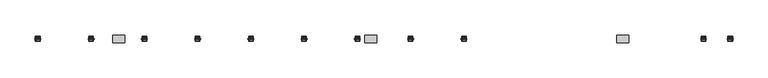
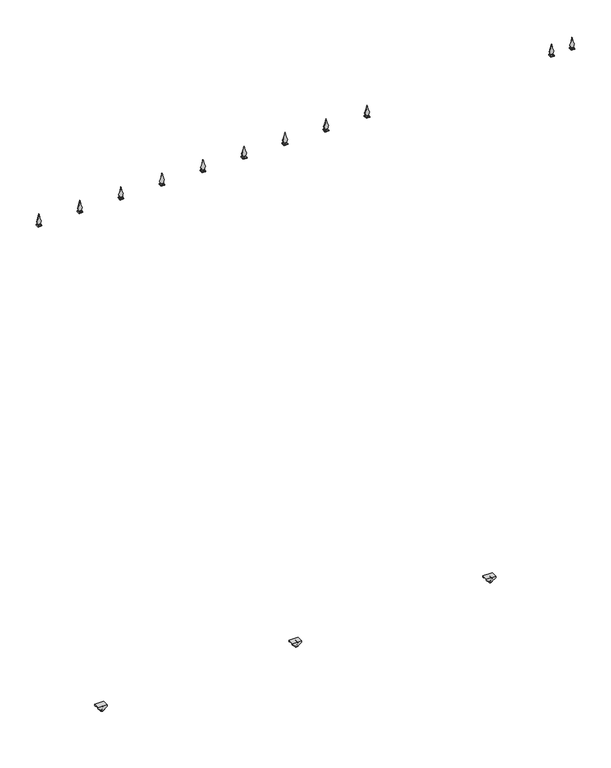
"""IFC4 building model written with IfcOpenShell, lengths in millimetres: geographic element geometry."""

from ifc_helpers import new_model, si_unit, point, frame, frame_2d, origin, place, context, project, spatial, polyline, circle_curve, trimmed, segment, composite_curve, outline, extrude, faceted_brep, source, transform, mapped, element, save
from ifc_brep_helpers import plane_surface, cylinder_surface, advanced_brep


def geographic_element_61d36e83(model_context):
    return source(origin(), model_context, "Body", "SolidModel", [
        advanced_brep(
        [(1674.2264823, -1.5, 33.0), (1674.2264823, -1.5, 3.0), (1674.2264823, -14.5, 3.0), (1674.2264823, -14.5, 33.0), (1674.2264823, -1.5, 30.0), (1674.2264823, -1.5, 6.0), (1674.2264823, 1.5, 30.0), (1674.2264823, 1.5, 6.0), (1674.2264823, 1.5, 33.0), (1674.2264823, 1.5, 3.0), (1674.2264823, 14.5, 33.0), (1674.2264823, 14.5, 3.0), (1674.2264823, 14.5, 21.0), (1671.2264823, 14.5, 18.0), (1674.2264823, 14.5, 15.0), (1677.2264823, 14.5, 18.0), (1674.2264823, -14.5, 15.0), (1671.2264823, -14.5, 18.0), (1674.2264823, -14.5, 21.0), (1677.2264823, -14.5, 18.0), (1671.2264823, -16.0, 18.0), (1677.2264823, -16.0, 18.0), (1671.2264823, 16.0, 18.0), (1677.2264823, 16.0, 18.0)],
        [
            (0, 1, circle_curve(frame((1674.2264823, -1.5, 18.0), z_axis=(0.0, -1.0, 0.0), x_axis=(0.0, 0.0, -1.0)), 15.0)),
            (1, 2),
            (2, 3, circle_curve(frame((1674.2264823, -14.5, 18.0), z_axis=(0.0, 1.0, 0.0), x_axis=(0.0, 0.0, -1.0)), 15.0)),
            (3, 0),
            (1, 0, circle_curve(frame((1674.2264823, -1.5, 18.0), z_axis=(0.0, -1.0, 0.0), x_axis=(0.0, 0.0, -1.0)), 15.0)),
            (3, 2, circle_curve(frame((1674.2264823, -14.5, 18.0), z_axis=(0.0, 1.0, 0.0), x_axis=(0.0, 0.0, -1.0)), 15.0)),
            (0, 4),
            (4, 5, circle_curve(frame((1674.2264823, -1.5, 18.0), z_axis=(0.0, -1.0, 0.0), x_axis=(0.0, 0.0, -1.0)), 12.0)),
            (5, 1),
            (5, 4, circle_curve(frame((1674.2264823, -1.5, 18.0), z_axis=(0.0, -1.0, 0.0), x_axis=(0.0, 0.0, -1.0)), 12.0)),
            (4, 6),
            (6, 7, circle_curve(frame((1674.2264823, 1.5, 18.0), z_axis=(0.0, -1.0, 0.0), x_axis=(0.0, 0.0, -1.0)), 12.0)),
            (7, 5),
            (7, 6, circle_curve(frame((1674.2264823, 1.5, 18.0), z_axis=(0.0, -1.0, 0.0), x_axis=(0.0, 0.0, -1.0)), 12.0)),
            (6, 8),
            (8, 9, circle_curve(frame((1674.2264823, 1.5, 18.0), z_axis=(0.0, -1.0, 0.0), x_axis=(0.0, 0.0, -1.0)), 15.0)),
            (9, 7),
            (9, 8, circle_curve(frame((1674.2264823, 1.5, 18.0), z_axis=(0.0, -1.0, 0.0), x_axis=(0.0, 0.0, -1.0)), 15.0)),
            (8, 10),
            (10, 11, circle_curve(frame((1674.2264823, 14.5, 18.0), z_axis=(0.0, -1.0, 0.0), x_axis=(0.0, 0.0, -1.0)), 15.0)),
            (11, 9),
            (11, 10, circle_curve(frame((1674.2264823, 14.5, 18.0), z_axis=(0.0, -1.0, 0.0), x_axis=(0.0, 0.0, -1.0)), 15.0)),
            (10, 12),
            (12, 13, circle_curve(frame((1674.2264823, 14.5, 18.0), z_axis=(0.0, -1.0, 0.0), x_axis=(1.0, 0.0, 0.0)), 3.0)),
            (13, 14, circle_curve(frame((1674.2264823, 14.5, 18.0), z_axis=(0.0, -1.0, 0.0), x_axis=(1.0, 0.0, 0.0)), 3.0)),
            (14, 11),
            (14, 15, circle_curve(frame((1674.2264823, 14.5, 18.0), z_axis=(0.0, -1.0, 0.0), x_axis=(1.0, 0.0, 0.0)), 3.0)),
            (15, 12, circle_curve(frame((1674.2264823, 14.5, 18.0), z_axis=(0.0, -1.0, 0.0), x_axis=(1.0, 0.0, 0.0)), 3.0)),
            (2, 16),
            (16, 17, circle_curve(frame((1674.2264823, -14.5, 18.0), z_axis=(0.0, 1.0, 0.0), x_axis=(1.0, 0.0, 0.0)), 3.0)),
            (17, 18, circle_curve(frame((1674.2264823, -14.5, 18.0), z_axis=(0.0, 1.0, 0.0), x_axis=(1.0, 0.0, 0.0)), 3.0)),
            (18, 3),
            (18, 19, circle_curve(frame((1674.2264823, -14.5, 18.0), z_axis=(0.0, 1.0, 0.0), x_axis=(1.0, 0.0, 0.0)), 3.0)),
            (19, 16, circle_curve(frame((1674.2264823, -14.5, 18.0), z_axis=(0.0, 1.0, 0.0), x_axis=(1.0, 0.0, 0.0)), 3.0)),
            (20, 21, circle_curve(frame((1674.2264823, -16.0, 18.0), z_axis=(0.0, -1.0, 0.0), x_axis=(1.0, 0.0, 0.0)), 3.0)),
            (21, 20, circle_curve(frame((1674.2264823, -16.0, 18.0), z_axis=(0.0, -1.0, 0.0), x_axis=(1.0, 0.0, 0.0)), 3.0)),
            (22, 23, circle_curve(frame((1674.2264823, 16.0, 18.0), z_axis=(0.0, 1.0, 0.0), x_axis=(1.0, 0.0, 0.0)), 3.0)),
            (23, 22, circle_curve(frame((1674.2264823, 16.0, 18.0), z_axis=(0.0, 1.0, 0.0), x_axis=(1.0, 0.0, 0.0)), 3.0)),
            (20, 17),
            (19, 21),
            (23, 15),
            (13, 22),
        ],
        [
            cylinder_surface(frame((1674.2264823, 152.0, 18.0), z_axis=(0.0, 1.0, 0.0), x_axis=(0.0, 0.0, -1.0)), 15.0),
            plane_surface(frame((1674.2264823, -1.5, 18.0), z_axis=(0.0, 1.0, 0.0), x_axis=(0.0, 0.0, -1.0))),
            cylinder_surface(frame((1674.2264823, 152.0, 18.0), z_axis=(0.0, 1.0, 0.0), x_axis=(0.0, 0.0, -1.0)), 12.0),
            plane_surface(frame((1674.2264823, 1.5, 18.0), z_axis=(0.0, -1.0, 0.0), x_axis=(0.0, 0.0, -1.0))),
            plane_surface(frame((1674.2264823, 14.5, 18.0), z_axis=(0.0, 1.0, 0.0), x_axis=(0.0, 0.0, -1.0))),
            plane_surface(frame((1674.2264823, -14.5, 18.0), z_axis=(0.0, -1.0, 0.0), x_axis=(0.0, 0.0, -1.0))),
            plane_surface(frame((1677.2264823, -16.0, 18.0), z_axis=(0.0, -1.0, 0.0), x_axis=(0.0, 0.0, 1.0))),
            plane_surface(frame((1677.2264823, 16.0, 18.0), z_axis=(0.0, 1.0, 0.0), x_axis=(0.0, 0.0, -1.0))),
            cylinder_surface(frame((1674.2264823, 16.0, 18.0), z_axis=(0.0, -1.0, 0.0), x_axis=(1.0, 0.0, 0.0)), 3.0),
        ],
        [
            (0, [[1, 2, 3, 4]]),
            (0, [[-2, 5, -4, 6]]),
            (1, [[-1, 7, 8, 9]]),
            (1, [[-5, -9, 10, -7]]),
            (2, [[-8, 11, 12, 13]]),
            (2, [[-10, -13, 14, -11]]),
            (3, [[-12, 15, 16, 17]]),
            (3, [[-14, -17, 18, -15]]),
            (0, [[-16, 19, 20, 21]]),
            (0, [[-18, -21, 22, -19]]),
            (4, [[-20, 23, 24, 25, 26]]),
            (4, [[-22, -26, 27, 28, -23]]),
            (5, [[-3, 29, 30, 31, 32]]),
            (5, [[-6, -32, 33, 34, -29]]),
            (6, [[35, 36]]),
            (7, [[37, 38]]),
            (8, [[-35, 39, -30, -34, 40]]),
            (8, [[-38, 41, -27, -25, 42]]),
            (8, [[-36, -40, -33, -31, -39]]),
            (8, [[-37, -42, -24, -28, -41]]),
        ],
    ),
        advanced_brep(
        [(1644.2264823, -20.0, 30.0), (1668.6794803, -20.0, 13.6980013), (1679.7734842, -20.0, 13.6980013), (1704.2264823, -20.0, 30.0), (1704.2264823, -20.0, 40.0), (1644.2264823, -20.0, 40.0), (1644.2264823, 20.0, 30.0), (1644.2264823, 20.0, 40.0), (1704.2264823, 20.0, 40.0), (1704.2264823, 20.0, 30.0), (1679.7734842, 20.0, 13.6980013), (1668.6794803, 20.0, 13.6980013), (1644.2264823, -16.0, 30.0), (1668.6794803, -16.0, 13.6980013), (1668.6794803, 16.0, 13.6980013), (1644.2264823, 16.0, 30.0), (1679.7734842, -16.0, 13.6980013), (1679.7734842, 16.0, 13.6980013), (1704.2264823, -16.0, 30.0), (1704.2264823, 16.0, 30.0), (1704.2264823, -16.0, 36.0), (1704.2264823, 16.0, 36.0), (1644.2264823, 16.0, 36.0), (1644.2264823, -16.0, 36.0)],
        [
            (0, 1),
            (1, 2, circle_curve(frame((1674.2264823, -20.0, 22.0185043), z_axis=(0.0, -1.0, 0.0), x_axis=(1.0, 0.0, 0.0)), 10.0)),
            (2, 3),
            (3, 4),
            (4, 5),
            (5, 0),
            (6, 7),
            (7, 8),
            (8, 9),
            (9, 10),
            (10, 11, circle_curve(frame((1674.2264823, 20.0, 22.0185043), z_axis=(0.0, 1.0, 0.0), x_axis=(1.0, 0.0, 0.0)), 10.0)),
            (11, 6),
            (0, 12),
            (12, 13),
            (13, 1),
            (11, 14),
            (14, 15),
            (15, 6),
            (13, 16, circle_curve(frame((1674.2264823, -16.0, 22.0185043), z_axis=(0.0, -1.0, 0.0), x_axis=(1.0, 0.0, 0.0)), 10.0)),
            (16, 2),
            (10, 17),
            (17, 14, circle_curve(frame((1674.2264823, 16.0, 22.0185043), z_axis=(0.0, 1.0, 0.0), x_axis=(1.0, 0.0, 0.0)), 10.0)),
            (16, 18),
            (18, 3),
            (9, 19),
            (19, 17),
            (18, 20),
            (20, 21),
            (21, 19),
            (8, 4),
            (7, 5),
            (15, 22),
            (22, 23),
            (23, 12),
            (23, 20),
            (22, 21),
        ],
        [
            plane_surface(frame((1644.2264823, -20.0, 30.0), z_axis=(0.0, -1.0000000000000002, 0.0), x_axis=(0.8320502943378917, 0.0, -0.5547001962251573))),
            plane_surface(frame((1644.2264823, 20.0, 30.0), z_axis=(0.0, 1.0000000000000002, 0.0), x_axis=(-0.8320502943378917, 0.0, 0.5547001962251573))),
            plane_surface(frame((1644.2264823, -20.0, 30.0), z_axis=(-0.5547001962251573, 0.0, -0.8320502943378917), x_axis=(0.0, 1.0, 0.0))),
            cylinder_surface(frame((1674.2264823, 20.0, 22.0185043), z_axis=(0.0, -1.0, 0.0), x_axis=(1.0, 0.0, 0.0)), 10.0),
            plane_surface(frame((1679.7734842, -20.0, 13.6980013), z_axis=(0.554700196225293, 0.0, -0.8320502943378012), x_axis=(0.0, 1.0, 0.0))),
            plane_surface(frame((1704.2264823, -20.0, 30.0), z_axis=(1.0, 0.0, 0.0), x_axis=(0.0, 1.0, 0.0))),
            plane_surface(frame((1704.2264823, -20.0, 40.0), z_axis=(0.0, 0.0, 1.0), x_axis=(0.0, 1.0, 0.0))),
            plane_surface(frame((1644.2264823, -20.0, 40.0), z_axis=(-1.0, 0.0, 0.0), x_axis=(0.0, 1.0, 0.0))),
            plane_surface(frame((1644.2264823, -16.0, 0.0), z_axis=(0.0, 1.0, 0.0), x_axis=(1.0, 0.0, 0.0))),
            plane_surface(frame((1644.2264823, -16.0, 36.0), z_axis=(0.0, 0.0, -1.0), x_axis=(1.0, 0.0, 0.0))),
            plane_surface(frame((1644.2264823, 16.0, 36.0), z_axis=(0.0, -1.0, 0.0), x_axis=(1.0, 0.0, 0.0))),
        ],
        [
            (0, [[1, 2, 3, 4, 5, 6]]),
            (1, [[7, 8, 9, 10, 11, 12]]),
            (2, [[-1, 13, 14, 15]]),
            (2, [[-12, 16, 17, 18]]),
            (3, [[-2, -15, 19, 20]]),
            (3, [[-11, 21, 22, -16]]),
            (4, [[-3, -20, 23, 24]]),
            (4, [[-10, 25, 26, -21]]),
            (5, [[-4, -24, 27, 28, 29, -25, -9, 30]]),
            (6, [[-5, -30, -8, 31]]),
            (7, [[-6, -31, -7, -18, 32, 33, 34, -13]]),
            (8, [[35, -27, -23, -19, -14, -34]]),
            (9, [[-35, -33, 36, -28]]),
            (10, [[-36, -32, -17, -22, -26, -29]]),
        ],
    ),
        advanced_brep(
        [(390.8931489, -1.5, 33.0), (390.8931489, -1.5, 3.0), (390.8931489, -14.5, 3.0), (390.8931489, -14.5, 33.0), (390.8931489, -1.5, 30.0), (390.8931489, -1.5, 6.0), (390.8931489, 1.5, 30.0), (390.8931489, 1.5, 6.0), (390.8931489, 1.5, 33.0), (390.8931489, 1.5, 3.0), (390.8931489, 14.5, 33.0), (390.8931489, 14.5, 3.0), (390.8931489, 14.5, 21.0), (387.8931489, 14.5, 18.0), (390.8931489, 14.5, 15.0), (393.8931489, 14.5, 18.0), (390.8931489, -14.5, 15.0), (387.8931489, -14.5, 18.0), (390.8931489, -14.5, 21.0), (393.8931489, -14.5, 18.0), (387.8931489, -16.0, 18.0), (393.8931489, -16.0, 18.0), (387.8931489, 16.0, 18.0), (393.8931489, 16.0, 18.0)],
        [
            (0, 1, circle_curve(frame((390.8931489, -1.5, 18.0), z_axis=(0.0, -1.0, 0.0), x_axis=(0.0, 0.0, -1.0)), 15.0)),
            (1, 2),
            (2, 3, circle_curve(frame((390.8931489, -14.5, 18.0), z_axis=(0.0, 1.0, 0.0), x_axis=(0.0, 0.0, -1.0)), 15.0)),
            (3, 0),
            (1, 0, circle_curve(frame((390.8931489, -1.5, 18.0), z_axis=(0.0, -1.0, 0.0), x_axis=(0.0, 0.0, -1.0)), 15.0)),
            (3, 2, circle_curve(frame((390.8931489, -14.5, 18.0), z_axis=(0.0, 1.0, 0.0), x_axis=(0.0, 0.0, -1.0)), 15.0)),
            (0, 4),
            (4, 5, circle_curve(frame((390.8931489, -1.5, 18.0), z_axis=(0.0, -1.0, 0.0), x_axis=(0.0, 0.0, -1.0)), 12.0)),
            (5, 1),
            (5, 4, circle_curve(frame((390.8931489, -1.5, 18.0), z_axis=(0.0, -1.0, 0.0), x_axis=(0.0, 0.0, -1.0)), 12.0)),
            (4, 6),
            (6, 7, circle_curve(frame((390.8931489, 1.5, 18.0), z_axis=(0.0, -1.0, 0.0), x_axis=(0.0, 0.0, -1.0)), 12.0)),
            (7, 5),
            (7, 6, circle_curve(frame((390.8931489, 1.5, 18.0), z_axis=(0.0, -1.0, 0.0), x_axis=(0.0, 0.0, -1.0)), 12.0)),
            (6, 8),
            (8, 9, circle_curve(frame((390.8931489, 1.5, 18.0), z_axis=(0.0, -1.0, 0.0), x_axis=(0.0, 0.0, -1.0)), 15.0)),
            (9, 7),
            (9, 8, circle_curve(frame((390.8931489, 1.5, 18.0), z_axis=(0.0, -1.0, 0.0), x_axis=(0.0, 0.0, -1.0)), 15.0)),
            (8, 10),
            (10, 11, circle_curve(frame((390.8931489, 14.5, 18.0), z_axis=(0.0, -1.0, 0.0), x_axis=(0.0, 0.0, -1.0)), 15.0)),
            (11, 9),
            (11, 10, circle_curve(frame((390.8931489, 14.5, 18.0), z_axis=(0.0, -1.0, 0.0), x_axis=(0.0, 0.0, -1.0)), 15.0)),
            (10, 12),
            (12, 13, circle_curve(frame((390.8931489, 14.5, 18.0), z_axis=(0.0, -1.0, 0.0), x_axis=(1.0, 0.0, 0.0)), 3.0)),
            (13, 14, circle_curve(frame((390.8931489, 14.5, 18.0), z_axis=(0.0, -1.0, 0.0), x_axis=(1.0, 0.0, 0.0)), 3.0)),
            (14, 11),
            (14, 15, circle_curve(frame((390.8931489, 14.5, 18.0), z_axis=(0.0, -1.0, 0.0), x_axis=(1.0, 0.0, 0.0)), 3.0)),
            (15, 12, circle_curve(frame((390.8931489, 14.5, 18.0), z_axis=(0.0, -1.0, 0.0), x_axis=(1.0, 0.0, 0.0)), 3.0)),
            (2, 16),
            (16, 17, circle_curve(frame((390.8931489, -14.5, 18.0), z_axis=(0.0, 1.0, 0.0), x_axis=(1.0, 0.0, 0.0)), 3.0)),
            (17, 18, circle_curve(frame((390.8931489, -14.5, 18.0), z_axis=(0.0, 1.0, 0.0), x_axis=(1.0, 0.0, 0.0)), 3.0)),
            (18, 3),
            (18, 19, circle_curve(frame((390.8931489, -14.5, 18.0), z_axis=(0.0, 1.0, 0.0), x_axis=(1.0, 0.0, 0.0)), 3.0)),
            (19, 16, circle_curve(frame((390.8931489, -14.5, 18.0), z_axis=(0.0, 1.0, 0.0), x_axis=(1.0, 0.0, 0.0)), 3.0)),
            (20, 21, circle_curve(frame((390.8931489, -16.0, 18.0), z_axis=(0.0, -1.0, 0.0), x_axis=(1.0, 0.0, 0.0)), 3.0)),
            (21, 20, circle_curve(frame((390.8931489, -16.0, 18.0), z_axis=(0.0, -1.0, 0.0), x_axis=(1.0, 0.0, 0.0)), 3.0)),
            (22, 23, circle_curve(frame((390.8931489, 16.0, 18.0), z_axis=(0.0, 1.0, 0.0), x_axis=(1.0, 0.0, 0.0)), 3.0)),
            (23, 22, circle_curve(frame((390.8931489, 16.0, 18.0), z_axis=(0.0, 1.0, 0.0), x_axis=(1.0, 0.0, 0.0)), 3.0)),
            (20, 17),
            (19, 21),
            (23, 15),
            (13, 22),
        ],
        [
            cylinder_surface(frame((390.8931489, 152.0, 18.0), z_axis=(0.0, 1.0, 0.0), x_axis=(0.0, 0.0, -1.0)), 15.0),
            plane_surface(frame((390.8931489, -1.5, 18.0), z_axis=(0.0, 1.0, 0.0), x_axis=(0.0, 0.0, -1.0))),
            cylinder_surface(frame((390.8931489, 152.0, 18.0), z_axis=(0.0, 1.0, 0.0), x_axis=(0.0, 0.0, -1.0)), 12.0),
            plane_surface(frame((390.8931489, 1.5, 18.0), z_axis=(0.0, -1.0, 0.0), x_axis=(0.0, 0.0, -1.0))),
            plane_surface(frame((390.8931489, 14.5, 18.0), z_axis=(0.0, 1.0, 0.0), x_axis=(0.0, 0.0, -1.0))),
            plane_surface(frame((390.8931489, -14.5, 18.0), z_axis=(0.0, -1.0, 0.0), x_axis=(0.0, 0.0, -1.0))),
            plane_surface(frame((393.8931489, -16.0, 18.0), z_axis=(0.0, -1.0, 0.0), x_axis=(0.0, 0.0, 1.0))),
            plane_surface(frame((393.8931489, 16.0, 18.0), z_axis=(0.0, 1.0, 0.0), x_axis=(0.0, 0.0, -1.0))),
            cylinder_surface(frame((390.8931489, 16.0, 18.0), z_axis=(0.0, -1.0, 0.0), x_axis=(1.0, 0.0, 0.0)), 3.0),
        ],
        [
            (0, [[1, 2, 3, 4]]),
            (0, [[-2, 5, -4, 6]]),
            (1, [[-1, 7, 8, 9]]),
            (1, [[-5, -9, 10, -7]]),
            (2, [[-8, 11, 12, 13]]),
            (2, [[-10, -13, 14, -11]]),
            (3, [[-12, 15, 16, 17]]),
            (3, [[-14, -17, 18, -15]]),
            (0, [[-16, 19, 20, 21]]),
            (0, [[-18, -21, 22, -19]]),
            (4, [[-20, 23, 24, 25, 26]]),
            (4, [[-22, -26, 27, 28, -23]]),
            (5, [[-3, 29, 30, 31, 32]]),
            (5, [[-6, -32, 33, 34, -29]]),
            (6, [[35, 36]]),
            (7, [[37, 38]]),
            (8, [[-35, 39, -30, -34, 40]]),
            (8, [[-38, 41, -27, -25, 42]]),
            (8, [[-36, -40, -33, -31, -39]]),
            (8, [[-37, -42, -24, -28, -41]]),
        ],
    ),
        advanced_brep(
        [(360.8931489, -20.0, 30.0), (385.346147, -20.0, 13.6980013), (396.4401509, -20.0, 13.6980013), (420.8931489, -20.0, 30.0), (420.8931489, -20.0, 40.0), (360.8931489, -20.0, 40.0), (360.8931489, 20.0, 30.0), (360.8931489, 20.0, 40.0), (420.8931489, 20.0, 40.0), (420.8931489, 20.0, 30.0), (396.4401509, 20.0, 13.6980013), (385.346147, 20.0, 13.6980013), (360.8931489, -16.0, 30.0), (385.346147, -16.0, 13.6980013), (385.346147, 16.0, 13.6980013), (360.8931489, 16.0, 30.0), (396.4401509, -16.0, 13.6980013), (396.4401509, 16.0, 13.6980013), (420.8931489, -16.0, 30.0), (420.8931489, 16.0, 30.0), (420.8931489, -16.0, 36.0), (420.8931489, 16.0, 36.0), (360.8931489, 16.0, 36.0), (360.8931489, -16.0, 36.0)],
        [
            (0, 1),
            (1, 2, circle_curve(frame((390.8931489, -20.0, 22.0185043), z_axis=(0.0, -1.0, 0.0), x_axis=(1.0, 0.0, 0.0)), 10.0)),
            (2, 3),
            (3, 4),
            (4, 5),
            (5, 0),
            (6, 7),
            (7, 8),
            (8, 9),
            (9, 10),
            (10, 11, circle_curve(frame((390.8931489, 20.0, 22.0185043), z_axis=(0.0, 1.0, 0.0), x_axis=(1.0, 0.0, 0.0)), 10.0)),
            (11, 6),
            (0, 12),
            (12, 13),
            (13, 1),
            (11, 14),
            (14, 15),
            (15, 6),
            (13, 16, circle_curve(frame((390.8931489, -16.0, 22.0185043), z_axis=(0.0, -1.0, 0.0), x_axis=(1.0, 0.0, 0.0)), 10.0)),
            (16, 2),
            (10, 17),
            (17, 14, circle_curve(frame((390.8931489, 16.0, 22.0185043), z_axis=(0.0, 1.0, 0.0), x_axis=(1.0, 0.0, 0.0)), 10.0)),
            (16, 18),
            (18, 3),
            (9, 19),
            (19, 17),
            (18, 20),
            (20, 21),
            (21, 19),
            (8, 4),
            (7, 5),
            (15, 22),
            (22, 23),
            (23, 12),
            (23, 20),
            (22, 21),
        ],
        [
            plane_surface(frame((360.8931489, -20.0, 30.0), z_axis=(0.0, -1.0000000000000002, 0.0), x_axis=(0.8320502943378917, 0.0, -0.5547001962251573))),
            plane_surface(frame((360.8931489, 20.0, 30.0), z_axis=(0.0, 1.0000000000000002, 0.0), x_axis=(-0.8320502943378917, 0.0, 0.5547001962251573))),
            plane_surface(frame((360.8931489, -20.0, 30.0), z_axis=(-0.5547001962251573, 0.0, -0.8320502943378917), x_axis=(0.0, 1.0, 0.0))),
            cylinder_surface(frame((390.8931489, 20.0, 22.0185043), z_axis=(0.0, -1.0, 0.0), x_axis=(1.0, 0.0, 0.0)), 10.0),
            plane_surface(frame((396.4401509, -20.0, 13.6980013), z_axis=(0.554700196225293, 0.0, -0.8320502943378012), x_axis=(0.0, 1.0, 0.0))),
            plane_surface(frame((420.8931489, -20.0, 30.0), z_axis=(1.0, 0.0, 0.0), x_axis=(0.0, 1.0, 0.0))),
            plane_surface(frame((420.8931489, -20.0, 40.0), z_axis=(0.0, 0.0, 1.0), x_axis=(0.0, 1.0, 0.0))),
            plane_surface(frame((360.8931489, -20.0, 40.0), z_axis=(-1.0, 0.0, 0.0), x_axis=(0.0, 1.0, 0.0))),
            plane_surface(frame((360.8931489, -16.0, 0.0), z_axis=(0.0, 1.0, 0.0), x_axis=(1.0, 0.0, 0.0))),
            plane_surface(frame((360.8931489, -16.0, 36.0), z_axis=(0.0, 0.0, -1.0), x_axis=(1.0, 0.0, 0.0))),
            plane_surface(frame((360.8931489, 16.0, 36.0), z_axis=(0.0, -1.0, 0.0), x_axis=(1.0, 0.0, 0.0))),
        ],
        [
            (0, [[1, 2, 3, 4, 5, 6]]),
            (1, [[7, 8, 9, 10, 11, 12]]),
            (2, [[-1, 13, 14, 15]]),
            (2, [[-12, 16, 17, 18]]),
            (3, [[-2, -15, 19, 20]]),
            (3, [[-11, 21, 22, -16]]),
            (4, [[-3, -20, 23, 24]]),
            (4, [[-10, 25, 26, -21]]),
            (5, [[-4, -24, 27, 28, 29, -25, -9, 30]]),
            (6, [[-5, -30, -8, 31]]),
            (7, [[-6, -31, -7, -18, 32, 33, 34, -13]]),
            (8, [[35, -27, -23, -19, -14, -34]]),
            (9, [[-35, -33, 36, -28]]),
            (10, [[-36, -32, -17, -22, -26, -29]]),
        ],
    ),
        advanced_brep(
        [(-892.4401844, -1.5, 33.0), (-892.4401844, -1.5, 3.0), (-892.4401844, -14.5, 3.0), (-892.4401844, -14.5, 33.0), (-892.4401844, -1.5, 30.0), (-892.4401844, -1.5, 6.0), (-892.4401844, 1.5, 30.0), (-892.4401844, 1.5, 6.0), (-892.4401844, 1.5, 33.0), (-892.4401844, 1.5, 3.0), (-892.4401844, 14.5, 33.0), (-892.4401844, 14.5, 3.0), (-892.4401844, 14.5, 21.0), (-895.4401844, 14.5, 18.0), (-892.4401844, 14.5, 15.0), (-889.4401844, 14.5, 18.0), (-892.4401844, -14.5, 15.0), (-895.4401844, -14.5, 18.0), (-892.4401844, -14.5, 21.0), (-889.4401844, -14.5, 18.0), (-895.4401844, -16.0, 18.0), (-889.4401844, -16.0, 18.0), (-895.4401844, 16.0, 18.0), (-889.4401844, 16.0, 18.0)],
        [
            (0, 1, circle_curve(frame((-892.4401844, -1.5, 18.0), z_axis=(0.0, -1.0, 0.0), x_axis=(0.0, 0.0, -1.0)), 15.0)),
            (1, 2),
            (2, 3, circle_curve(frame((-892.4401844, -14.5, 18.0), z_axis=(0.0, 1.0, 0.0), x_axis=(0.0, 0.0, -1.0)), 15.0)),
            (3, 0),
            (1, 0, circle_curve(frame((-892.4401844, -1.5, 18.0), z_axis=(0.0, -1.0, 0.0), x_axis=(0.0, 0.0, -1.0)), 15.0)),
            (3, 2, circle_curve(frame((-892.4401844, -14.5, 18.0), z_axis=(0.0, 1.0, 0.0), x_axis=(0.0, 0.0, -1.0)), 15.0)),
            (0, 4),
            (4, 5, circle_curve(frame((-892.4401844, -1.5, 18.0), z_axis=(0.0, -1.0, 0.0), x_axis=(0.0, 0.0, -1.0)), 12.0)),
            (5, 1),
            (5, 4, circle_curve(frame((-892.4401844, -1.5, 18.0), z_axis=(0.0, -1.0, 0.0), x_axis=(0.0, 0.0, -1.0)), 12.0)),
            (4, 6),
            (6, 7, circle_curve(frame((-892.4401844, 1.5, 18.0), z_axis=(0.0, -1.0, 0.0), x_axis=(0.0, 0.0, -1.0)), 12.0)),
            (7, 5),
            (7, 6, circle_curve(frame((-892.4401844, 1.5, 18.0), z_axis=(0.0, -1.0, 0.0), x_axis=(0.0, 0.0, -1.0)), 12.0)),
            (6, 8),
            (8, 9, circle_curve(frame((-892.4401844, 1.5, 18.0), z_axis=(0.0, -1.0, 0.0), x_axis=(0.0, 0.0, -1.0)), 15.0)),
            (9, 7),
            (9, 8, circle_curve(frame((-892.4401844, 1.5, 18.0), z_axis=(0.0, -1.0, 0.0), x_axis=(0.0, 0.0, -1.0)), 15.0)),
            (8, 10),
            (10, 11, circle_curve(frame((-892.4401844, 14.5, 18.0), z_axis=(0.0, -1.0, 0.0), x_axis=(0.0, 0.0, -1.0)), 15.0)),
            (11, 9),
            (11, 10, circle_curve(frame((-892.4401844, 14.5, 18.0), z_axis=(0.0, -1.0, 0.0), x_axis=(0.0, 0.0, -1.0)), 15.0)),
            (10, 12),
            (12, 13, circle_curve(frame((-892.4401844, 14.5, 18.0), z_axis=(0.0, -1.0, 0.0), x_axis=(1.0, 0.0, 0.0)), 3.0)),
            (13, 14, circle_curve(frame((-892.4401844, 14.5, 18.0), z_axis=(0.0, -1.0, 0.0), x_axis=(1.0, 0.0, 0.0)), 3.0)),
            (14, 11),
            (14, 15, circle_curve(frame((-892.4401844, 14.5, 18.0), z_axis=(0.0, -1.0, 0.0), x_axis=(1.0, 0.0, 0.0)), 3.0)),
            (15, 12, circle_curve(frame((-892.4401844, 14.5, 18.0), z_axis=(0.0, -1.0, 0.0), x_axis=(1.0, 0.0, 0.0)), 3.0)),
            (2, 16),
            (16, 17, circle_curve(frame((-892.4401844, -14.5, 18.0), z_axis=(0.0, 1.0, 0.0), x_axis=(1.0, 0.0, 0.0)), 3.0)),
            (17, 18, circle_curve(frame((-892.4401844, -14.5, 18.0), z_axis=(0.0, 1.0, 0.0), x_axis=(1.0, 0.0, 0.0)), 3.0)),
            (18, 3),
            (18, 19, circle_curve(frame((-892.4401844, -14.5, 18.0), z_axis=(0.0, 1.0, 0.0), x_axis=(1.0, 0.0, 0.0)), 3.0)),
            (19, 16, circle_curve(frame((-892.4401844, -14.5, 18.0), z_axis=(0.0, 1.0, 0.0), x_axis=(1.0, 0.0, 0.0)), 3.0)),
            (20, 21, circle_curve(frame((-892.4401844, -16.0, 18.0), z_axis=(0.0, -1.0, 0.0), x_axis=(1.0, 0.0, 0.0)), 3.0)),
            (21, 20, circle_curve(frame((-892.4401844, -16.0, 18.0), z_axis=(0.0, -1.0, 0.0), x_axis=(1.0, 0.0, 0.0)), 3.0)),
            (22, 23, circle_curve(frame((-892.4401844, 16.0, 18.0), z_axis=(0.0, 1.0, 0.0), x_axis=(1.0, 0.0, 0.0)), 3.0)),
            (23, 22, circle_curve(frame((-892.4401844, 16.0, 18.0), z_axis=(0.0, 1.0, 0.0), x_axis=(1.0, 0.0, 0.0)), 3.0)),
            (20, 17),
            (19, 21),
            (23, 15),
            (13, 22),
        ],
        [
            cylinder_surface(frame((-892.4401844, 152.0, 18.0), z_axis=(0.0, 1.0, 0.0), x_axis=(0.0, 0.0, -1.0)), 15.0),
            plane_surface(frame((-892.4401844, -1.5, 18.0), z_axis=(0.0, 1.0, 0.0), x_axis=(0.0, 0.0, -1.0))),
            cylinder_surface(frame((-892.4401844, 152.0, 18.0), z_axis=(0.0, 1.0, 0.0), x_axis=(0.0, 0.0, -1.0)), 12.0),
            plane_surface(frame((-892.4401844, 1.5, 18.0), z_axis=(0.0, -1.0, 0.0), x_axis=(0.0, 0.0, -1.0))),
            plane_surface(frame((-892.4401844, 14.5, 18.0), z_axis=(0.0, 1.0, 0.0), x_axis=(0.0, 0.0, -1.0))),
            plane_surface(frame((-892.4401844, -14.5, 18.0), z_axis=(0.0, -1.0, 0.0), x_axis=(0.0, 0.0, -1.0))),
            plane_surface(frame((-889.4401844, -16.0, 18.0), z_axis=(0.0, -1.0, 0.0), x_axis=(0.0, 0.0, 1.0))),
            plane_surface(frame((-889.4401844, 16.0, 18.0), z_axis=(0.0, 1.0, 0.0), x_axis=(0.0, 0.0, -1.0))),
            cylinder_surface(frame((-892.4401844, 16.0, 18.0), z_axis=(0.0, -1.0, 0.0), x_axis=(1.0, 0.0, 0.0)), 3.0),
        ],
        [
            (0, [[1, 2, 3, 4]]),
            (0, [[-2, 5, -4, 6]]),
            (1, [[-1, 7, 8, 9]]),
            (1, [[-5, -9, 10, -7]]),
            (2, [[-8, 11, 12, 13]]),
            (2, [[-10, -13, 14, -11]]),
            (3, [[-12, 15, 16, 17]]),
            (3, [[-14, -17, 18, -15]]),
            (0, [[-16, 19, 20, 21]]),
            (0, [[-18, -21, 22, -19]]),
            (4, [[-20, 23, 24, 25, 26]]),
            (4, [[-22, -26, 27, 28, -23]]),
            (5, [[-3, 29, 30, 31, 32]]),
            (5, [[-6, -32, 33, 34, -29]]),
            (6, [[35, 36]]),
            (7, [[37, 38]]),
            (8, [[-35, 39, -30, -34, 40]]),
            (8, [[-38, 41, -27, -25, 42]]),
            (8, [[-36, -40, -33, -31, -39]]),
            (8, [[-37, -42, -24, -28, -41]]),
        ],
    ),
        advanced_brep(
        [(-922.4401844, -20.0, 30.0), (-897.9871864, -20.0, 13.6980013), (-886.8931824, -20.0, 13.6980013), (-862.4401844, -20.0, 30.0), (-862.4401844, -20.0, 40.0), (-922.4401844, -20.0, 40.0), (-922.4401844, 20.0, 30.0), (-922.4401844, 20.0, 40.0), (-862.4401844, 20.0, 40.0), (-862.4401844, 20.0, 30.0), (-886.8931824, 20.0, 13.6980013), (-897.9871864, 20.0, 13.6980013), (-922.4401844, -16.0, 30.0), (-897.9871864, -16.0, 13.6980013), (-897.9871864, 16.0, 13.6980013), (-922.4401844, 16.0, 30.0), (-886.8931824, -16.0, 13.6980013), (-886.8931824, 16.0, 13.6980013), (-862.4401844, -16.0, 30.0), (-862.4401844, 16.0, 30.0), (-862.4401844, -16.0, 36.0), (-862.4401844, 16.0, 36.0), (-922.4401844, 16.0, 36.0), (-922.4401844, -16.0, 36.0)],
        [
            (0, 1),
            (1, 2, circle_curve(frame((-892.4401844, -20.0, 22.0185043), z_axis=(0.0, -1.0, 0.0), x_axis=(1.0, 0.0, 0.0)), 10.0)),
            (2, 3),
            (3, 4),
            (4, 5),
            (5, 0),
            (6, 7),
            (7, 8),
            (8, 9),
            (9, 10),
            (10, 11, circle_curve(frame((-892.4401844, 20.0, 22.0185043), z_axis=(0.0, 1.0, 0.0), x_axis=(1.0, 0.0, 0.0)), 10.0)),
            (11, 6),
            (0, 12),
            (12, 13),
            (13, 1),
            (11, 14),
            (14, 15),
            (15, 6),
            (13, 16, circle_curve(frame((-892.4401844, -16.0, 22.0185043), z_axis=(0.0, -1.0, 0.0), x_axis=(1.0, 0.0, 0.0)), 10.0)),
            (16, 2),
            (10, 17),
            (17, 14, circle_curve(frame((-892.4401844, 16.0, 22.0185043), z_axis=(0.0, 1.0, 0.0), x_axis=(1.0, 0.0, 0.0)), 10.0)),
            (16, 18),
            (18, 3),
            (9, 19),
            (19, 17),
            (18, 20),
            (20, 21),
            (21, 19),
            (8, 4),
            (7, 5),
            (15, 22),
            (22, 23),
            (23, 12),
            (23, 20),
            (22, 21),
        ],
        [
            plane_surface(frame((-922.4401844, -20.0, 30.0), z_axis=(0.0, -1.0000000000000002, 0.0), x_axis=(0.8320502943378917, 0.0, -0.5547001962251573))),
            plane_surface(frame((-922.4401844, 20.0, 30.0), z_axis=(0.0, 1.0000000000000002, 0.0), x_axis=(-0.8320502943378917, 0.0, 0.5547001962251573))),
            plane_surface(frame((-922.4401844, -20.0, 30.0), z_axis=(-0.5547001962251573, 0.0, -0.8320502943378917), x_axis=(0.0, 1.0, 0.0))),
            cylinder_surface(frame((-892.4401844, 20.0, 22.0185043), z_axis=(0.0, -1.0, 0.0), x_axis=(1.0, 0.0, 0.0)), 10.0),
            plane_surface(frame((-886.8931824, -20.0, 13.6980013), z_axis=(0.554700196225293, 0.0, -0.8320502943378012), x_axis=(0.0, 1.0, 0.0))),
            plane_surface(frame((-862.4401844, -20.0, 30.0), z_axis=(1.0, 0.0, 0.0), x_axis=(0.0, 1.0, 0.0))),
            plane_surface(frame((-862.4401844, -20.0, 40.0), z_axis=(0.0, 0.0, 1.0), x_axis=(0.0, 1.0, 0.0))),
            plane_surface(frame((-922.4401844, -20.0, 40.0), z_axis=(-1.0, 0.0, 0.0), x_axis=(0.0, 1.0, 0.0))),
            plane_surface(frame((-922.4401844, -16.0, 0.0), z_axis=(0.0, 1.0, 0.0), x_axis=(1.0, 0.0, 0.0))),
            plane_surface(frame((-922.4401844, -16.0, 36.0), z_axis=(0.0, 0.0, -1.0), x_axis=(1.0, 0.0, 0.0))),
            plane_surface(frame((-922.4401844, 16.0, 36.0), z_axis=(0.0, -1.0, 0.0), x_axis=(1.0, 0.0, 0.0))),
        ],
        [
            (0, [[1, 2, 3, 4, 5, 6]]),
            (1, [[7, 8, 9, 10, 11, 12]]),
            (2, [[-1, 13, 14, 15]]),
            (2, [[-12, 16, 17, 18]]),
            (3, [[-2, -15, 19, 20]]),
            (3, [[-11, 21, 22, -16]]),
            (4, [[-3, -20, 23, 24]]),
            (4, [[-10, 25, 26, -21]]),
            (5, [[-4, -24, 27, 28, 29, -25, -9, 30]]),
            (6, [[-5, -30, -8, 31]]),
            (7, [[-6, -31, -7, -18, 32, 33, 34, -13]]),
            (8, [[35, -27, -23, -19, -14, -34]]),
            (9, [[-35, -33, 36, -28]]),
            (10, [[-36, -32, -17, -22, -26, -29]]),
        ],
    ),
        extrude(outline(composite_curve([segment(trimmed(circle_curve(frame_2d((3524.9252719, 769.7551665)), 87.884948), [point((3560.0, 850.3375934))], [point((3540.0, 856.3375934))], True, "CARTESIAN"), True, "CONTINUOUS"), segment(polyline([(3540.0, 856.3375934), (3540.0, 874.3375934)]), True, "CONTINUOUS"), segment(trimmed(circle_curve(frame_2d((3524.9252719, 960.9200203)), 87.884948), [point((3540.0, 874.3375934))], [point((3560.0, 880.3375934))], True, "CARTESIAN"), True, "CONTINUOUS"), segment(trimmed(circle_curve(frame_2d((3634.2044665, 1036.8524819)), 173.2143562), [point((3560.0, 880.3375934))], [point((3610.0, 865.3375934))], True, "CARTESIAN"), True, "CONTINUOUS"), segment(trimmed(circle_curve(frame_2d((3634.2044665, 693.8227049)), 173.2143562), [point((3610.0, 865.3375934))], [point((3560.0, 850.3375934))], True, "CARTESIAN"), True, "CONTINUOUS")], self_intersect=False)), frame((0.0, -1.5, 0.0), z_axis=(0.0, 1.0, 0.0), x_axis=(0.0, 0.0, 1.0)), (0.0, 0.0, 1.0), 3.0),
        faceted_brep([(856.3375934, 9.0, 3540.0), (856.3375934, -9.0, 3540.0), (874.3375934, -9.0, 3540.0), (874.3375934, 9.0, 3540.0), (853.3375934, 12.0, 3535.0), (877.3375934, 12.0, 3535.0), (877.3375934, -12.0, 3535.0), (853.3375934, -12.0, 3535.0)], [[[0, 1, 2, 3]], [[4, 5, 6, 7]], [[4, 7, 1, 0]], [[7, 6, 2, 1]], [[6, 5, 3, 2]], [[5, 4, 0, 3]]]),
        extrude(outline(polyline([(877.3375934, 12.0), (877.3375934, -12.0), (853.3375934, -12.0), (853.3375934, 12.0), (877.3375934, 12.0)])), frame((0.0, 0.0, 3530.0), z_axis=(0.0, 0.0, 1.0), x_axis=(1.0, 0.0, 0.0)), (0.0, 0.0, 1.0), 5.0),
        extrude(outline(composite_curve([segment(trimmed(circle_curve(frame_2d((3524.9252719, 498.6440554)), 87.884948), [point((3560.0, 579.2264823))], [point((3540.0, 585.2264823))], True, "CARTESIAN"), True, "CONTINUOUS"), segment(polyline([(3540.0, 585.2264823), (3540.0, 603.2264823)]), True, "CONTINUOUS"), segment(trimmed(circle_curve(frame_2d((3524.9252719, 689.8089092)), 87.884948), [point((3540.0, 603.2264823))], [point((3560.0, 609.2264823))], True, "CARTESIAN"), True, "CONTINUOUS"), segment(trimmed(circle_curve(frame_2d((3634.2044665, 765.7413708)), 173.2143562), [point((3560.0, 609.2264823))], [point((3610.0, 594.2264823))], True, "CARTESIAN"), True, "CONTINUOUS"), segment(trimmed(circle_curve(frame_2d((3634.2044665, 422.7115938)), 173.2143562), [point((3610.0, 594.2264823))], [point((3560.0, 579.2264823))], True, "CARTESIAN"), True, "CONTINUOUS")], self_intersect=False)), frame((0.0, -1.5, 0.0), z_axis=(0.0, 1.0, 0.0), x_axis=(0.0, 0.0, 1.0)), (0.0, 0.0, 1.0), 3.0),
        faceted_brep([(585.2264823, 9.0, 3540.0), (585.2264823, -9.0, 3540.0), (603.2264823, -9.0, 3540.0), (603.2264823, 9.0, 3540.0), (582.2264823, 12.0, 3535.0), (606.2264823, 12.0, 3535.0), (606.2264823, -12.0, 3535.0), (582.2264823, -12.0, 3535.0)], [[[0, 1, 2, 3]], [[4, 5, 6, 7]], [[4, 7, 1, 0]], [[7, 6, 2, 1]], [[6, 5, 3, 2]], [[5, 4, 0, 3]]]),
        extrude(outline(polyline([(606.2264823, 12.0), (606.2264823, -12.0), (582.2264823, -12.0), (582.2264823, 12.0), (606.2264823, 12.0)])), frame((0.0, 0.0, 3530.0), z_axis=(0.0, 0.0, 1.0), x_axis=(1.0, 0.0, 0.0)), (0.0, 0.0, 1.0), 5.0),
        extrude(outline(composite_curve([segment(trimmed(circle_curve(frame_2d((3524.9252719, 227.5329442)), 87.884948), [point((3560.0, 308.1153712))], [point((3540.0, 314.1153712))], True, "CARTESIAN"), True, "CONTINUOUS"), segment(polyline([(3540.0, 314.1153712), (3540.0, 332.1153712)]), True, "CONTINUOUS"), segment(trimmed(circle_curve(frame_2d((3524.9252719, 418.6977981)), 87.884948), [point((3540.0, 332.1153712))], [point((3560.0, 338.1153712))], True, "CARTESIAN"), True, "CONTINUOUS"), segment(trimmed(circle_curve(frame_2d((3634.2044665, 494.6302597)), 173.2143562), [point((3560.0, 338.1153712))], [point((3610.0, 323.1153712))], True, "CARTESIAN"), True, "CONTINUOUS"), segment(trimmed(circle_curve(frame_2d((3634.2044665, 151.6004827)), 173.2143562), [point((3610.0, 323.1153712))], [point((3560.0, 308.1153712))], True, "CARTESIAN"), True, "CONTINUOUS")], self_intersect=False)), frame((0.0, -1.5, 0.0), z_axis=(0.0, 1.0, 0.0), x_axis=(0.0, 0.0, 1.0)), (0.0, 0.0, 1.0), 3.0),
        faceted_brep([(314.1153712, 9.0, 3540.0), (314.1153712, -9.0, 3540.0), (332.1153712, -9.0, 3540.0), (332.1153712, 9.0, 3540.0), (311.1153712, 12.0, 3535.0), (335.1153712, 12.0, 3535.0), (335.1153712, -12.0, 3535.0), (311.1153712, -12.0, 3535.0)], [[[0, 1, 2, 3]], [[4, 5, 6, 7]], [[4, 7, 1, 0]], [[7, 6, 2, 1]], [[6, 5, 3, 2]], [[5, 4, 0, 3]]]),
        extrude(outline(polyline([(335.1153712, 12.0), (335.1153712, -12.0), (311.1153712, -12.0), (311.1153712, 12.0), (335.1153712, 12.0)])), frame((0.0, 0.0, 3530.0), z_axis=(0.0, 0.0, 1.0), x_axis=(1.0, 0.0, 0.0)), (0.0, 0.0, 1.0), 5.0),
        extrude(outline(composite_curve([segment(trimmed(circle_curve(frame_2d((3524.9252719, -43.5781669)), 87.884948), [point((3560.0, 37.00426))], [point((3540.0, 43.00426))], True, "CARTESIAN"), True, "CONTINUOUS"), segment(polyline([(3540.0, 43.00426), (3540.0, 61.00426)]), True, "CONTINUOUS"), segment(trimmed(circle_curve(frame_2d((3524.9252719, 147.586687)), 87.884948), [point((3540.0, 61.00426))], [point((3560.0, 67.00426))], True, "CARTESIAN"), True, "CONTINUOUS"), segment(trimmed(circle_curve(frame_2d((3634.2044665, 223.5191485)), 173.2143562), [point((3560.0, 67.00426))], [point((3610.0, 52.00426))], True, "CARTESIAN"), True, "CONTINUOUS"), segment(trimmed(circle_curve(frame_2d((3634.2044665, -119.5106285)), 173.2143562), [point((3610.0, 52.00426))], [point((3560.0, 37.00426))], True, "CARTESIAN"), True, "CONTINUOUS")], self_intersect=False)), frame((0.0, -1.5, 0.0), z_axis=(0.0, 1.0, 0.0), x_axis=(0.0, 0.0, 1.0)), (0.0, 0.0, 1.0), 3.0),
        faceted_brep([(43.00426, 9.0, 3540.0), (43.00426, -9.0, 3540.0), (61.00426, -9.0, 3540.0), (61.00426, 9.0, 3540.0), (40.00426, 12.0, 3535.0), (64.00426, 12.0, 3535.0), (64.00426, -12.0, 3535.0), (40.00426, -12.0, 3535.0)], [[[0, 1, 2, 3]], [[4, 5, 6, 7]], [[4, 7, 1, 0]], [[7, 6, 2, 1]], [[6, 5, 3, 2]], [[5, 4, 0, 3]]]),
        extrude(outline(polyline([(64.00426, 12.0), (64.00426, -12.0), (40.00426, -12.0), (40.00426, 12.0), (64.00426, 12.0)])), frame((0.0, 0.0, 3530.0), z_axis=(0.0, 0.0, 1.0), x_axis=(1.0, 0.0, 0.0)), (0.0, 0.0, 1.0), 5.0),
        extrude(outline(composite_curve([segment(trimmed(circle_curve(frame_2d((3524.9252719, -314.689278)), 87.884948), [point((3560.0, -234.1068511))], [point((3540.0, -228.1068511))], True, "CARTESIAN"), True, "CONTINUOUS"), segment(polyline([(3540.0, -228.1068511), (3540.0, -210.1068511)]), True, "CONTINUOUS"), segment(trimmed(circle_curve(frame_2d((3524.9252719, -123.5244241)), 87.884948), [point((3540.0, -210.1068511))], [point((3560.0, -204.1068511))], True, "CARTESIAN"), True, "CONTINUOUS"), segment(trimmed(circle_curve(frame_2d((3634.2044665, -47.5919626)), 173.2143562), [point((3560.0, -204.1068511))], [point((3610.0, -219.1068511))], True, "CARTESIAN"), True, "CONTINUOUS"), segment(trimmed(circle_curve(frame_2d((3634.2044665, -390.6217396)), 173.2143562), [point((3610.0, -219.1068511))], [point((3560.0, -234.1068511))], True, "CARTESIAN"), True, "CONTINUOUS")], self_intersect=False)), frame((0.0, -1.5, 0.0), z_axis=(0.0, 1.0, 0.0), x_axis=(0.0, 0.0, 1.0)), (0.0, 0.0, 1.0), 3.0),
        faceted_brep([(-228.1068511, 9.0, 3540.0), (-228.1068511, -9.0, 3540.0), (-210.1068511, -9.0, 3540.0), (-210.1068511, 9.0, 3540.0), (-231.1068511, 12.0, 3535.0), (-207.1068511, 12.0, 3535.0), (-207.1068511, -12.0, 3535.0), (-231.1068511, -12.0, 3535.0)], [[[0, 1, 2, 3]], [[4, 5, 6, 7]], [[4, 7, 1, 0]], [[7, 6, 2, 1]], [[6, 5, 3, 2]], [[5, 4, 0, 3]]]),
        extrude(outline(polyline([(-207.1068511, 12.0), (-207.1068511, -12.0), (-231.1068511, -12.0), (-231.1068511, 12.0), (-207.1068511, 12.0)])), frame((0.0, 0.0, 3530.0), z_axis=(0.0, 0.0, 1.0), x_axis=(1.0, 0.0, 0.0)), (0.0, 0.0, 1.0), 5.0),
        extrude(outline(composite_curve([segment(trimmed(circle_curve(frame_2d((3524.9252719, -585.8003891)), 87.884948), [point((3560.0, -505.2179622))], [point((3540.0, -499.2179622))], True, "CARTESIAN"), True, "CONTINUOUS"), segment(polyline([(3540.0, -499.2179622), (3540.0, -481.2179622)]), True, "CONTINUOUS"), segment(trimmed(circle_curve(frame_2d((3524.9252719, -394.6355352)), 87.884948), [point((3540.0, -481.2179622))], [point((3560.0, -475.2179622))], True, "CARTESIAN"), True, "CONTINUOUS"), segment(trimmed(circle_curve(frame_2d((3634.2044665, -318.7030737)), 173.2143562), [point((3560.0, -475.2179622))], [point((3610.0, -490.2179622))], True, "CARTESIAN"), True, "CONTINUOUS"), segment(trimmed(circle_curve(frame_2d((3634.2044665, -661.7328507)), 173.2143562), [point((3610.0, -490.2179622))], [point((3560.0, -505.2179622))], True, "CARTESIAN"), True, "CONTINUOUS")], self_intersect=False)), frame((0.0, -1.5, 0.0), z_axis=(0.0, 1.0, 0.0), x_axis=(0.0, 0.0, 1.0)), (0.0, 0.0, 1.0), 3.0),
        faceted_brep([(-499.2179622, 9.0, 3540.0), (-499.2179622, -9.0, 3540.0), (-481.2179622, -9.0, 3540.0), (-481.2179622, 9.0, 3540.0), (-502.2179622, 12.0, 3535.0), (-478.2179622, 12.0, 3535.0), (-478.2179622, -12.0, 3535.0), (-502.2179622, -12.0, 3535.0)], [[[0, 1, 2, 3]], [[4, 5, 6, 7]], [[4, 7, 1, 0]], [[7, 6, 2, 1]], [[6, 5, 3, 2]], [[5, 4, 0, 3]]]),
        extrude(outline(polyline([(-478.2179622, 12.0), (-478.2179622, -12.0), (-502.2179622, -12.0), (-502.2179622, 12.0), (-478.2179622, 12.0)])), frame((0.0, 0.0, 3530.0), z_axis=(0.0, 0.0, 1.0), x_axis=(1.0, 0.0, 0.0)), (0.0, 0.0, 1.0), 5.0),
        extrude(outline(composite_curve([segment(trimmed(circle_curve(frame_2d((3524.9252719, -856.9115002)), 87.884948), [point((3560.0, -776.3290733))], [point((3540.0, -770.3290733))], True, "CARTESIAN"), True, "CONTINUOUS"), segment(polyline([(3540.0, -770.3290733), (3540.0, -752.3290733)]), True, "CONTINUOUS"), segment(trimmed(circle_curve(frame_2d((3524.9252719, -665.7466464)), 87.884948), [point((3540.0, -752.3290733))], [point((3560.0, -746.3290733))], True, "CARTESIAN"), True, "CONTINUOUS"), segment(trimmed(circle_curve(frame_2d((3634.2044665, -589.8141848)), 173.2143562), [point((3560.0, -746.3290733))], [point((3610.0, -761.3290733))], True, "CARTESIAN"), True, "CONTINUOUS"), segment(trimmed(circle_curve(frame_2d((3634.2044665, -932.8439618)), 173.2143562), [point((3610.0, -761.3290733))], [point((3560.0, -776.3290733))], True, "CARTESIAN"), True, "CONTINUOUS")], self_intersect=False)), frame((0.0, -1.5, 0.0), z_axis=(0.0, 1.0, 0.0), x_axis=(0.0, 0.0, 1.0)), (0.0, 0.0, 1.0), 3.0),
        faceted_brep([(-770.3290733, 9.0, 3540.0), (-770.3290733, -9.0, 3540.0), (-752.3290733, -9.0, 3540.0), (-752.3290733, 9.0, 3540.0), (-773.3290733, 12.0, 3535.0), (-749.3290733, 12.0, 3535.0), (-749.3290733, -12.0, 3535.0), (-773.3290733, -12.0, 3535.0)], [[[0, 1, 2, 3]], [[4, 5, 6, 7]], [[4, 7, 1, 0]], [[7, 6, 2, 1]], [[6, 5, 3, 2]], [[5, 4, 0, 3]]]),
        extrude(outline(polyline([(-749.3290733, 12.0), (-749.3290733, -12.0), (-773.3290733, -12.0), (-773.3290733, 12.0), (-749.3290733, 12.0)])), frame((0.0, 0.0, 3530.0), z_axis=(0.0, 0.0, 1.0), x_axis=(1.0, 0.0, 0.0)), (0.0, 0.0, 1.0), 5.0),
        extrude(outline(composite_curve([segment(trimmed(circle_curve(frame_2d((3524.9252719, -1128.0226113)), 87.884948), [point((3560.0, -1047.4401844))], [point((3540.0, -1041.4401844))], True, "CARTESIAN"), True, "CONTINUOUS"), segment(polyline([(3540.0, -1041.4401844), (3540.0, -1023.4401844)]), True, "CONTINUOUS"), segment(trimmed(circle_curve(frame_2d((3524.9252719, -936.8577575)), 87.884948), [point((3540.0, -1023.4401844))], [point((3560.0, -1017.4401844))], True, "CARTESIAN"), True, "CONTINUOUS"), segment(trimmed(circle_curve(frame_2d((3634.2044665, -860.9252959)), 173.2143562), [point((3560.0, -1017.4401844))], [point((3610.0, -1032.4401844))], True, "CARTESIAN"), True, "CONTINUOUS"), segment(trimmed(circle_curve(frame_2d((3634.2044665, -1203.9550729)), 173.2143562), [point((3610.0, -1032.4401844))], [point((3560.0, -1047.4401844))], True, "CARTESIAN"), True, "CONTINUOUS")], self_intersect=False)), frame((0.0, -1.5, 0.0), z_axis=(0.0, 1.0, 0.0), x_axis=(0.0, 0.0, 1.0)), (0.0, 0.0, 1.0), 3.0),
        faceted_brep([(-1041.4401844, 9.0, 3540.0), (-1041.4401844, -9.0, 3540.0), (-1023.4401844, -9.0, 3540.0), (-1023.4401844, 9.0, 3540.0), (-1044.4401844, 12.0, 3535.0), (-1020.4401844, 12.0, 3535.0), (-1020.4401844, -12.0, 3535.0), (-1044.4401844, -12.0, 3535.0)], [[[0, 1, 2, 3]], [[4, 5, 6, 7]], [[4, 7, 1, 0]], [[7, 6, 2, 1]], [[6, 5, 3, 2]], [[5, 4, 0, 3]]]),
        extrude(outline(polyline([(-1020.4401844, 12.0), (-1020.4401844, -12.0), (-1044.4401844, -12.0), (-1044.4401844, 12.0), (-1020.4401844, 12.0)])), frame((0.0, 0.0, 3530.0), z_axis=(0.0, 0.0, 1.0), x_axis=(1.0, 0.0, 0.0)), (0.0, 0.0, 1.0), 5.0),
        extrude(outline(composite_curve([segment(trimmed(circle_curve(frame_2d((3524.9252719, -1399.1337224)), 87.884948), [point((3560.0, -1318.5512955))], [point((3540.0, -1312.5512955))], True, "CARTESIAN"), True, "CONTINUOUS"), segment(polyline([(3540.0, -1312.5512955), (3540.0, -1294.5512955)]), True, "CONTINUOUS"), segment(trimmed(circle_curve(frame_2d((3524.9252719, -1207.9688686)), 87.884948), [point((3540.0, -1294.5512955))], [point((3560.0, -1288.5512955))], True, "CARTESIAN"), True, "CONTINUOUS"), segment(trimmed(circle_curve(frame_2d((3634.2044665, -1132.036407)), 173.2143562), [point((3560.0, -1288.5512955))], [point((3610.0, -1303.5512955))], True, "CARTESIAN"), True, "CONTINUOUS"), segment(trimmed(circle_curve(frame_2d((3634.2044665, -1475.066184)), 173.2143562), [point((3610.0, -1303.5512955))], [point((3560.0, -1318.5512955))], True, "CARTESIAN"), True, "CONTINUOUS")], self_intersect=False)), frame((0.0, -1.5, 0.0), z_axis=(0.0, 1.0, 0.0), x_axis=(0.0, 0.0, 1.0)), (0.0, 0.0, 1.0), 3.0),
        faceted_brep([(-1312.5512955, 9.0, 3540.0), (-1312.5512955, -9.0, 3540.0), (-1294.5512955, -9.0, 3540.0), (-1294.5512955, 9.0, 3540.0), (-1315.5512955, 12.0, 3535.0), (-1291.5512955, 12.0, 3535.0), (-1291.5512955, -12.0, 3535.0), (-1315.5512955, -12.0, 3535.0)], [[[0, 1, 2, 3]], [[4, 5, 6, 7]], [[4, 7, 1, 0]], [[7, 6, 2, 1]], [[6, 5, 3, 2]], [[5, 4, 0, 3]]]),
        extrude(outline(polyline([(-1291.5512955, 12.0), (-1291.5512955, -12.0), (-1315.5512955, -12.0), (-1315.5512955, 12.0), (-1291.5512955, 12.0)])), frame((0.0, 0.0, 3530.0), z_axis=(0.0, 0.0, 1.0), x_axis=(1.0, 0.0, 0.0)), (0.0, 0.0, 1.0), 5.0),
        extrude(outline(composite_curve([segment(trimmed(circle_curve(frame_2d((3524.9252719, 2125.310722)), 87.884948), [point((3560.0, 2205.8931489))], [point((3540.0, 2211.8931489))], True, "CARTESIAN"), True, "CONTINUOUS"), segment(polyline([(3540.0, 2211.8931489), (3540.0, 2229.8931489)]), True, "CONTINUOUS"), segment(trimmed(circle_curve(frame_2d((3524.9252719, 2316.4755759)), 87.884948), [point((3540.0, 2229.8931489))], [point((3560.0, 2235.8931489))], True, "CARTESIAN"), True, "CONTINUOUS"), segment(trimmed(circle_curve(frame_2d((3634.2044665, 2392.4080374)), 173.2143562), [point((3560.0, 2235.8931489))], [point((3610.0, 2220.8931489))], True, "CARTESIAN"), True, "CONTINUOUS"), segment(trimmed(circle_curve(frame_2d((3634.2044665, 2049.3782604)), 173.2143562), [point((3610.0, 2220.8931489))], [point((3560.0, 2205.8931489))], True, "CARTESIAN"), True, "CONTINUOUS")], self_intersect=False)), frame((0.0, -1.5, 0.0), z_axis=(0.0, 1.0, 0.0), x_axis=(0.0, 0.0, 1.0)), (0.0, 0.0, 1.0), 3.0),
        faceted_brep([(2211.8931489, 9.0, 3540.0), (2211.8931489, -9.0, 3540.0), (2229.8931489, -9.0, 3540.0), (2229.8931489, 9.0, 3540.0), (2208.8931489, 12.0, 3535.0), (2232.8931489, 12.0, 3535.0), (2232.8931489, -12.0, 3535.0), (2208.8931489, -12.0, 3535.0)], [[[0, 1, 2, 3]], [[4, 5, 6, 7]], [[4, 7, 1, 0]], [[7, 6, 2, 1]], [[6, 5, 3, 2]], [[5, 4, 0, 3]]]),
        extrude(outline(polyline([(2232.8931489, 12.0), (2232.8931489, -12.0), (2208.8931489, -12.0), (2208.8931489, 12.0), (2232.8931489, 12.0)])), frame((0.0, 0.0, 3530.0), z_axis=(0.0, 0.0, 1.0), x_axis=(1.0, 0.0, 0.0)), (0.0, 0.0, 1.0), 5.0),
        extrude(outline(composite_curve([segment(trimmed(circle_curve(frame_2d((3524.9252719, 1989.7551665)), 87.884948), [point((3560.0, 2070.3375934))], [point((3540.0, 2076.3375934))], True, "CARTESIAN"), True, "CONTINUOUS"), segment(polyline([(3540.0, 2076.3375934), (3540.0, 2094.3375934)]), True, "CONTINUOUS"), segment(trimmed(circle_curve(frame_2d((3524.9252719, 2180.9200203)), 87.884948), [point((3540.0, 2094.3375934))], [point((3560.0, 2100.3375934))], True, "CARTESIAN"), True, "CONTINUOUS"), segment(trimmed(circle_curve(frame_2d((3634.2044665, 2256.8524819)), 173.2143562), [point((3560.0, 2100.3375934))], [point((3610.0, 2085.3375934))], True, "CARTESIAN"), True, "CONTINUOUS"), segment(trimmed(circle_curve(frame_2d((3634.2044665, 1913.8227049)), 173.2143562), [point((3610.0, 2085.3375934))], [point((3560.0, 2070.3375934))], True, "CARTESIAN"), True, "CONTINUOUS")], self_intersect=False)), frame((0.0, -1.5, 0.0), z_axis=(0.0, 1.0, 0.0), x_axis=(0.0, 0.0, 1.0)), (0.0, 0.0, 1.0), 3.0),
        faceted_brep([(2076.3375934, 9.0, 3540.0), (2076.3375934, -9.0, 3540.0), (2094.3375934, -9.0, 3540.0), (2094.3375934, 9.0, 3540.0), (2073.3375934, 12.0, 3535.0), (2097.3375934, 12.0, 3535.0), (2097.3375934, -12.0, 3535.0), (2073.3375934, -12.0, 3535.0)], [[[0, 1, 2, 3]], [[4, 5, 6, 7]], [[4, 7, 1, 0]], [[7, 6, 2, 1]], [[6, 5, 3, 2]], [[5, 4, 0, 3]]]),
        extrude(outline(polyline([(2097.3375934, 12.0), (2097.3375934, -12.0), (2073.3375934, -12.0), (2073.3375934, 12.0), (2097.3375934, 12.0)])), frame((0.0, 0.0, 3530.0), z_axis=(0.0, 0.0, 1.0), x_axis=(1.0, 0.0, 0.0)), (0.0, 0.0, 1.0), 5.0),
    ])


if __name__ == "__main__":
    model = new_model("IFC4")
    model_context = context("Model", 3, world=origin())
    ifc_project = project(units=[si_unit("LENGTHUNIT", "METRE", prefix="MILLI")], contexts=[model_context])
    site = spatial("IfcSite", under=ifc_project)
    building = spatial("IfcBuilding", under=site)
    placement = place(None, origin())
    geographic_element_shape = geographic_element_61d36e83(model_context)
    element("IfcGeographicElement", 1, at=placement, inside=building, context=model_context, shape_type="MappedRepresentation", body=[
        mapped(geographic_element_shape, transform((0.0, 0.0, 0.0), x_axis=(1.0, 0.0, 0.0), y_axis=(0.0, 1.0, 0.0), z_axis=(0.0, 0.0, 1.0))),
    ])
    save(model, "model.ifc")
